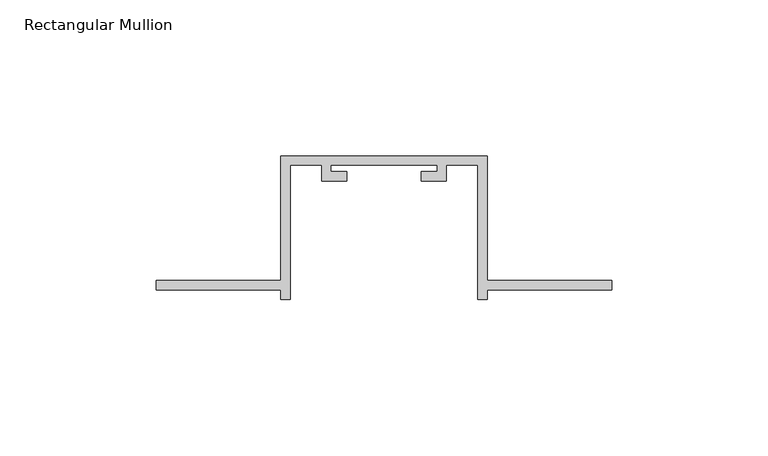
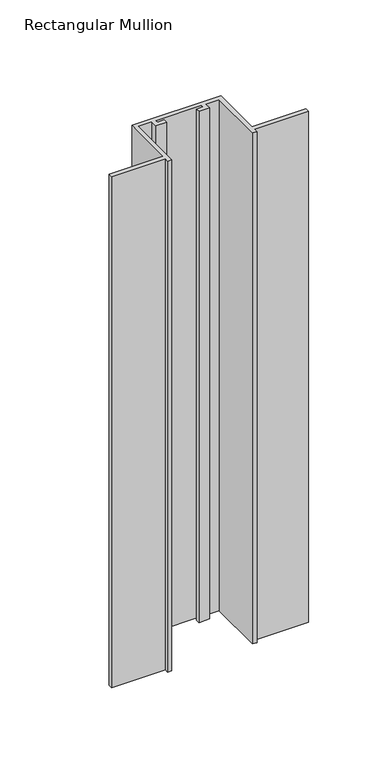
"""IFC4 building model written with IfcOpenShell, lengths in millimetres: member geometry, Rectangular Mullion."""

from ifc_helpers import new_model, si_unit, frame, origin, place, context, project, spatial, polyline, outline, extrude, source, transform, mapped, element, save


def rectangular_mullion_67e5a377(model_context):
    return source(origin(), model_context, "Body", "SweptSolid", [
        extrude(outline(polyline([(-33.0, -132.0), (-73.0, -132.0), (-73.0, -129.0), (-33.0, -129.0), (-33.0, -89.0), (33.0, -89.0), (33.0, -129.0), (73.0, -129.0), (73.0, -132.0), (33.0, -132.0), (33.0, -135.0), (30.0, -135.0), (30.0, -92.0), (20.0, -92.0), (20.0, -97.0), (12.0, -97.0), (12.0, -94.0), (17.0, -94.0), (17.0, -92.0), (-17.0, -92.0), (-17.0, -94.0), (-12.0, -94.0), (-12.0, -97.0), (-20.0, -97.0), (-20.0, -92.0), (-30.0, -92.0), (-30.0, -135.0), (-33.0, -135.0), (-33.0, -132.0)])), frame((0.0, 0.0, -400.0), z_axis=(0.0, 0.0, 1.0), x_axis=(1.0, 0.0, 0.0)), (0.0, 0.0, 1.0), 400.0),
    ])


if __name__ == "__main__":
    model = new_model("IFC4")
    model_context = context("Model", 3, world=origin())
    ifc_project = project(units=[si_unit("LENGTHUNIT", "METRE", prefix="MILLI")], contexts=[model_context])
    site = spatial("IfcSite", under=ifc_project)
    building = spatial("IfcBuilding", under=site)
    placement = place(None, origin())
    rectangular_mullion_shape = rectangular_mullion_67e5a377(model_context)
    element("IfcMember", 1, ObjectType="Rectangular Mullion", at=placement, inside=building, context=model_context, shape_type="MappedRepresentation", body=[
        mapped(rectangular_mullion_shape, transform((0.0, 0.0, 0.0), x_axis=(1.0, 0.0, 0.0), y_axis=(0.0, 1.0, 0.0), z_axis=(0.0, 0.0, 1.0))),
    ])
    save(model, "model.ifc")
